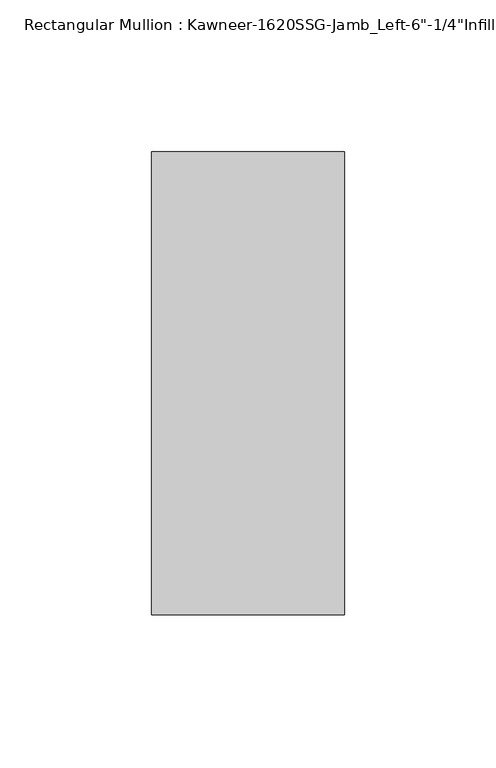
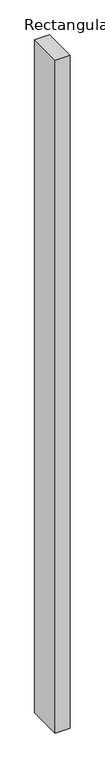
"""IFC4 building model written with IfcOpenShell, lengths in millimetres: member geometry."""

from ifc_helpers import new_model, si_unit, frame, origin, place, context, project, spatial, polyline, outline, extrude, source, transform, mapped, element, save


def member_49acd4e5(model_context):
    return source(origin(), model_context, "Body", "SweptSolid", [
        extrude(outline(polyline([(-63.5, 28.575), (0.0, 28.575), (0.0, -123.825), (-63.5, -123.825), (-63.5, 28.575)])), frame((0.0, 0.0, -3048.0), z_axis=(0.0, 0.0, 1.0), x_axis=(1.0, 0.0, 0.0)), (0.0, 0.0, 1.0), 3048.0),
    ])


if __name__ == "__main__":
    model = new_model("IFC4")
    model_context = context("Model", 3, world=origin())
    ifc_project = project(units=[si_unit("LENGTHUNIT", "METRE", prefix="MILLI")], contexts=[model_context])
    site = spatial("IfcSite", under=ifc_project)
    building = spatial("IfcBuilding", under=site)
    placement = place(None, origin())
    member_shape = member_49acd4e5(model_context)
    element("IfcMember", 1, ObjectType="Rectangular Mullion : Kawneer-1620SSG-Jamb_Left-6\"-1/4\"Infill", at=placement, inside=building, context=model_context, shape_type="MappedRepresentation", body=[
        mapped(member_shape, transform((0.0, 0.0, 0.0), x_axis=(1.0, 0.0, 0.0), y_axis=(0.0, 1.0, 0.0), z_axis=(0.0, 0.0, 1.0))),
    ])
    save(model, "model.ifc")
